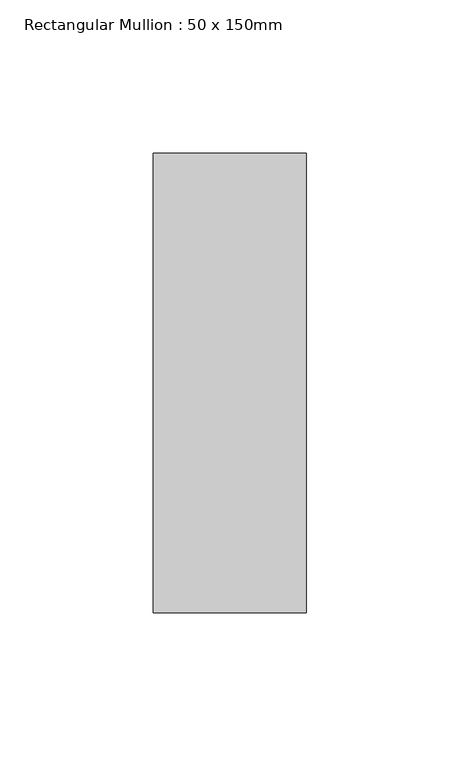
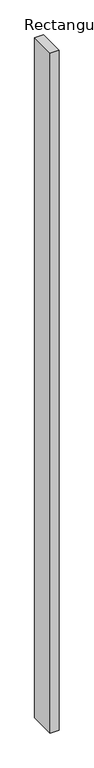
"""IFC4 building model written with IfcOpenShell, lengths in millimetres: member geometry, Rectangular Mullion : 50 x 150mm."""

from ifc_helpers import new_model, si_unit, frame, origin, place, context, project, spatial, polyline, outline, extrude, source, transform, mapped, element, save


def rectangular_mullion_50_x_150mm_0357f134(model_context):
    return source(origin(), model_context, "Body", "SweptSolid", [
        extrude(outline(polyline([(0.0, 75.0), (0.0, -75.0), (-50.0, -75.0), (-50.0, 75.0), (0.0, 75.0)])), frame((0.0, 0.0, -4000.0), z_axis=(0.0, 0.0, 1.0), x_axis=(1.0, 0.0, 0.0)), (0.0, 0.0, 1.0), 4000.0),
    ])


if __name__ == "__main__":
    model = new_model("IFC4")
    model_context = context("Model", 3, world=origin())
    ifc_project = project(units=[si_unit("LENGTHUNIT", "METRE", prefix="MILLI")], contexts=[model_context])
    site = spatial("IfcSite", under=ifc_project)
    building = spatial("IfcBuilding", under=site)
    placement = place(None, origin())
    rectangular_mullion_50_x_150mm_shape = rectangular_mullion_50_x_150mm_0357f134(model_context)
    element("IfcMember", 1, ObjectType="Rectangular Mullion : 50 x 150mm", at=placement, inside=building, context=model_context, shape_type="MappedRepresentation", body=[
        mapped(rectangular_mullion_50_x_150mm_shape, transform((0.0, 0.0, 0.0), x_axis=(1.0, 0.0, 0.0), y_axis=(0.0, 1.0, 0.0), z_axis=(0.0, 0.0, 1.0))),
    ])
    save(model, "model.ifc")
